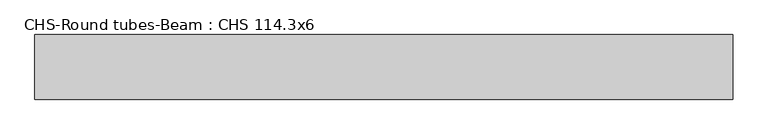
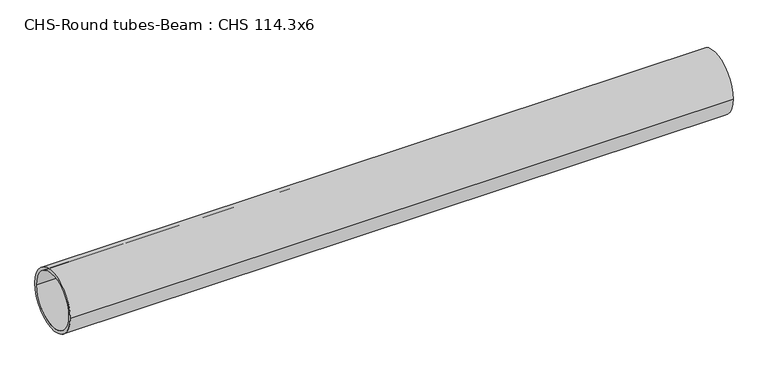
"""IFC4 building model written with IfcOpenShell, lengths in millimetres: beam geometry, CHS-Round tubes-Beam : CHS 114.3x6."""

from ifc_helpers import new_model, si_unit, point, frame, origin, origin_2d, place, context, project, spatial, circle_curve, trimmed, segment, composite_curve, outline, extrude, source, transform, mapped, element, save


def chs_round_tubes_beam_chs_114_3x6_1d7fd3de(model_context):
    return source(origin(), model_context, "Body", "SweptSolid", [
        extrude(outline(composite_curve([segment(trimmed(circle_curve(origin_2d(), 57.15), [point((57.15, 0.0))], [point((-57.15, 0.0))], False, "CARTESIAN"), True, "CONTINUOUS"), segment(trimmed(circle_curve(origin_2d(), 57.15), [point((-57.15, 0.0))], [point((57.15, 0.0))], False, "CARTESIAN"), True, "CONTINUOUS")], self_intersect=False), holes=[composite_curve([segment(trimmed(circle_curve(origin_2d(), 51.15), [point((51.15, 0.0))], [point((-51.15, 0.0))], True, "CARTESIAN"), True, "CONTINUOUS"), segment(trimmed(circle_curve(origin_2d(), 51.15), [point((-51.15, 0.0))], [point((51.15, 0.0))], True, "CARTESIAN"), True, "CONTINUOUS")], self_intersect=False)]), frame((-627.3165851, 0.0, 0.0), z_axis=(1.0, 0.0, 0.0), x_axis=(0.0, 1.0, 0.0)), (0.0, 0.0, 1.0), 1235.3031027),
    ])


if __name__ == "__main__":
    model = new_model("IFC4")
    model_context = context("Model", 3, world=origin())
    ifc_project = project(units=[si_unit("LENGTHUNIT", "METRE", prefix="MILLI")], contexts=[model_context])
    site = spatial("IfcSite", under=ifc_project)
    building = spatial("IfcBuilding", under=site)
    placement = place(None, origin())
    chs_round_tubes_beam_chs_114_3x6_shape = chs_round_tubes_beam_chs_114_3x6_1d7fd3de(model_context)
    element("IfcBeam", 1, ObjectType="CHS-Round tubes-Beam : CHS 114.3x6", at=placement, inside=building, context=model_context, shape_type="MappedRepresentation", body=[
        mapped(chs_round_tubes_beam_chs_114_3x6_shape, transform((0.0, 0.0, 0.0), x_axis=(1.0, 0.0, 0.0), y_axis=(0.0, 1.0, 0.0), z_axis=(0.0, 0.0, 1.0))),
    ])
    save(model, "model.ifc")
